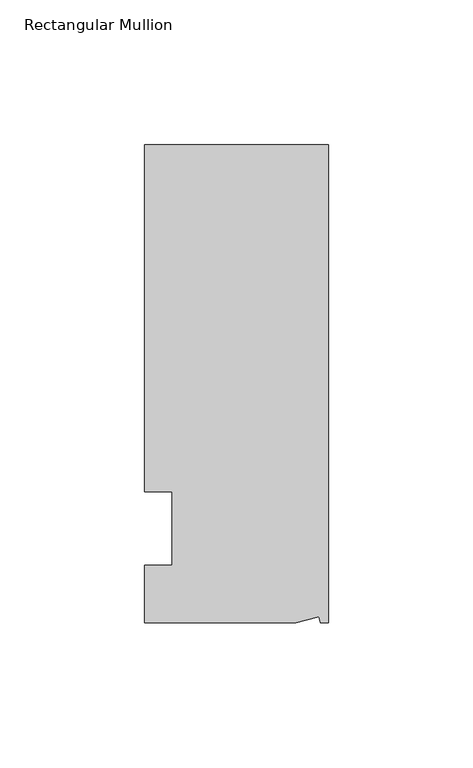
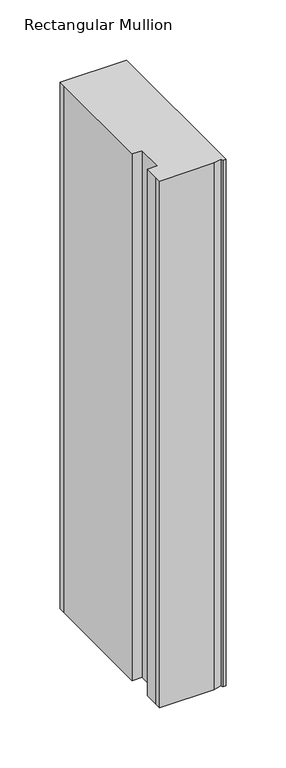
"""IFC4 building model written with IfcOpenShell, lengths in millimetres: member geometry, Rectangular Mullion."""

from ifc_helpers import new_model, si_unit, frame, origin, place, context, project, spatial, polyline, outline, extrude, source, transform, mapped, element, save


def rectangular_mullion_4c43e70a(model_context):
    return source(origin(), model_context, "Body", "SweptSolid", [
        extrude(outline(polyline([(0.0, 132.5561012), (0.0, -32.5438988), (-2.7616541, -32.5438988), (-3.3341886, -30.4622958), (-11.121847, -32.5438988), (-63.5, -32.5438988), (-63.5, -26.1938988), (-63.5, -12.5945801), (-53.975, -12.5945801), (-53.975, 12.8054199), (-63.5, 12.8054199), (-63.5, 126.2061012), (-63.5, 132.5561012), (0.0, 132.5561012)])), frame((0.0, 0.0, -533.4), z_axis=(0.0, 0.0, 1.0), x_axis=(1.0, 0.0, 0.0)), (0.0, 0.0, 1.0), 533.4),
    ])


if __name__ == "__main__":
    model = new_model("IFC4")
    model_context = context("Model", 3, world=origin())
    ifc_project = project(units=[si_unit("LENGTHUNIT", "METRE", prefix="MILLI")], contexts=[model_context])
    site = spatial("IfcSite", under=ifc_project)
    building = spatial("IfcBuilding", under=site)
    placement = place(None, origin())
    rectangular_mullion_shape = rectangular_mullion_4c43e70a(model_context)
    element("IfcMember", 1, ObjectType="Rectangular Mullion", at=placement, inside=building, context=model_context, shape_type="MappedRepresentation", body=[
        mapped(rectangular_mullion_shape, transform((0.0, 0.0, 0.0), x_axis=(1.0, 0.0, 0.0), y_axis=(0.0, 1.0, 0.0), z_axis=(0.0, 0.0, 1.0))),
    ])
    save(model, "model.ifc")
